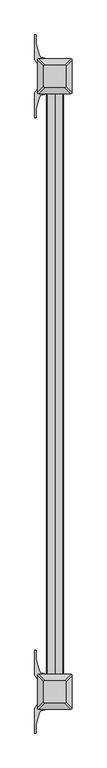
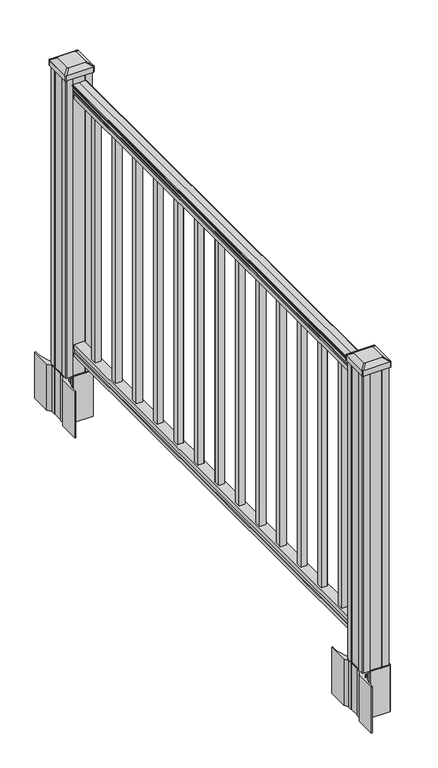
"""IFC4 building model written with IfcOpenShell, lengths in millimetres: railing geometry."""

from ifc_helpers import new_model, si_unit, point, frame, frame_2d, origin, origin_with_axes, place, context, project, spatial, polyline, circle_curve, trimmed, segment, composite_curve, outline, extrude, faceted_brep, source, transform, mapped, element, save
from ifc_brep_helpers import plane_surface, cylinder_surface, revolved_surface, extruded_surface, advanced_brep


def railing_e1333329(model_context):
    return source(origin(), model_context, "Body", "SolidModel", [
        advanced_brep(
        [(45716.7860303, -4330.7957657, 938.4043297), (45716.7860303, -4330.7957657, 940.292412), (45717.9162166, -4330.7957657, 941.8546695), (45717.9162166, -4330.7957657, 949.0726458), (45717.2669602, -4330.7957657, 951.5060812), (45719.7669602, -4330.7957657, 955.8362083), (45721.1763026, -4330.7957657, 957.5157972), (45721.5782016, -4330.7957657, 958.6205318), (45721.5782015, -4330.7957657, 959.9608158), (45720.0247543, -4330.7957657, 961.514263), (45699.3532015, -4330.7957657, 961.514263), (45678.6816488, -4330.7957657, 961.514263), (45677.1282015, -4330.7957657, 959.9608158), (45677.1282015, -4330.7957657, 958.6205318), (45677.5301005, -4330.7957657, 957.5157972), (45678.9394429, -4330.7957657, 955.8362083), (45681.4394429, -4330.7957657, 951.5060812), (45680.7901865, -4330.7957657, 949.0726458), (45680.7901865, -4330.7957657, 941.8546695), (45681.9203728, -4330.7957657, 940.292412), (45681.9203728, -4330.7957657, 938.4043297), (45684.4942015, -4330.7957657, 938.4043297), (45684.4942015, -4330.7957657, 927.9048283), (45683.4782015, -4330.7957657, 926.8888283), (45683.4782015, -4330.7957657, 914.4), (45715.2282015, -4330.7957657, 914.4), (45715.2282015, -4330.7957657, 926.731013), (45714.2122015, -4330.7957657, 927.747013), (45714.2122015, -4330.7957657, 938.4043297), (45716.7860303, -2806.7957657, 938.4043297), (45714.2122015, -2806.7957657, 938.4043297), (45714.2122015, -2806.7957657, 927.747013), (45715.2282015, -2806.7957657, 926.731013), (45715.2282015, -2806.7957657, 914.4), (45683.4782015, -2806.7957657, 914.4), (45683.4782015, -2806.7957657, 926.8888283), (45684.4942015, -2806.7957657, 927.9048283), (45684.4942015, -2806.7957657, 938.4043297), (45681.9203728, -2806.7957657, 938.4043297), (45681.9203728, -2806.7957657, 940.292412), (45680.7901865, -2806.7957657, 941.8546695), (45680.7901865, -2806.7957657, 949.0726458), (45681.4394429, -2806.7957657, 951.5060812), (45678.9394429, -2806.7957657, 955.8362083), (45677.5301005, -2806.7957657, 957.5157972), (45677.1282015, -2806.7957657, 958.6205318), (45677.1282015, -2806.7957657, 959.9608158), (45678.6816488, -2806.7957657, 961.514263), (45699.3532015, -2806.7957657, 961.514263), (45720.0247543, -2806.7957657, 961.514263), (45721.5782015, -2806.7957657, 959.9608158), (45721.5782015, -2806.7957657, 958.6205318), (45721.1763026, -2806.7957657, 957.5157972), (45719.7669602, -2806.7957657, 955.8362083), (45717.2669602, -2806.7957657, 951.5060812), (45717.9162166, -2806.7957657, 949.0726458), (45717.9162166, -2806.7957657, 941.8546695), (45716.7860303, -2806.7957657, 940.292412)],
        [
            (0, 1),
            (1, 2, circle_curve(frame((45710.471277, -4330.7957657, 946.0506383), z_axis=(0.0, -1.0, 0.0), x_axis=(-1.0, 0.0, 0.0)), 8.545951)),
            (2, 3, circle_curve(frame((45710.90834, -4330.7957657, 945.4636577), z_axis=(0.0, -1.0, 0.0), x_axis=(-1.0, 0.0, 0.0)), 7.882584)),
            (3, 4, circle_curve(frame((45721.4216641, -4330.7957657, 951.3112527), z_axis=(0.0, 1.0, 0.0), x_axis=(-1.0, 0.0, 0.0)), 4.1592695)),
            (4, 5, circle_curve(frame((45722.7089706, -4330.7957657, 951.2508864), z_axis=(0.0, 1.0, 0.0), x_axis=(-1.0, 0.0, 0.0)), 5.4479907)),
            (5, 6, circle_curve(frame((45721.4758122, -4330.7957657, 955.833395), z_axis=(0.0, 1.0, 0.0), x_axis=(-1.0, 0.0, 0.0)), 1.7088543)),
            (6, 7, circle_curve(frame((45719.8589121, -4330.7957657, 958.6205318), z_axis=(0.0, -1.0, 0.0), x_axis=(-1.0, 0.0, 0.0)), 1.7192895)),
            (7, 8),
            (8, 9, circle_curve(frame((45720.0247543, -4330.7957657, 959.9608158), z_axis=(0.0, -1.0, 0.0), x_axis=(-1.0, 0.0, 0.0)), 1.5534472)),
            (9, 10),
            (10, 11),
            (11, 12, circle_curve(frame((45678.6816488, -4330.7957657, 959.9608158), z_axis=(0.0, -1.0, 0.0), x_axis=(1.0, 0.0, 0.0)), 1.5534472)),
            (12, 13),
            (13, 14, circle_curve(frame((45678.847491, -4330.7957657, 958.6205318), z_axis=(0.0, -1.0, 0.0), x_axis=(1.0, 0.0, 0.0)), 1.7192895)),
            (14, 15, circle_curve(frame((45677.2305909, -4330.7957657, 955.833395), z_axis=(0.0, 1.0, 0.0), x_axis=(1.0, 0.0, 0.0)), 1.7088543)),
            (15, 16, circle_curve(frame((45675.9974324, -4330.7957657, 951.2508864), z_axis=(0.0, 1.0, 0.0), x_axis=(1.0, 0.0, 0.0)), 5.4479907)),
            (16, 17, circle_curve(frame((45677.284739, -4330.7957657, 951.3112527), z_axis=(0.0, 1.0, 0.0), x_axis=(1.0, 0.0, 0.0)), 4.1592695)),
            (17, 18, circle_curve(frame((45687.7980631, -4330.7957657, 945.4636577), z_axis=(0.0, -1.0, 0.0), x_axis=(1.0, 0.0, 0.0)), 7.882584)),
            (18, 19, circle_curve(frame((45688.2351261, -4330.7957657, 946.0506383), z_axis=(0.0, -1.0, 0.0), x_axis=(1.0, 0.0, 0.0)), 8.545951)),
            (19, 20),
            (20, 21, circle_curve(frame((45683.2072872, -4330.7957657, 938.4043297), z_axis=(0.0, -1.0, 0.0), x_axis=(1.0, 0.0, 0.0)), 1.2869144)),
            (21, 22),
            (22, 23),
            (23, 24),
            (24, 25),
            (25, 26),
            (26, 27),
            (27, 28),
            (28, 0, circle_curve(frame((45715.4991159, -4330.7957657, 938.4043297), z_axis=(0.0, -1.0, 0.0), x_axis=(-1.0, 0.0, 0.0)), 1.2869144)),
            (29, 30, circle_curve(frame((45715.4991159, -2806.7957657, 938.4043297), z_axis=(0.0, 1.0, 0.0), x_axis=(-1.0, 0.0, 0.0)), 1.2869144)),
            (30, 31),
            (31, 32),
            (32, 33),
            (33, 34),
            (34, 35),
            (35, 36),
            (36, 37),
            (37, 38, circle_curve(frame((45683.2072872, -2806.7957657, 938.4043297), z_axis=(0.0, 1.0, 0.0), x_axis=(1.0, 0.0, 0.0)), 1.2869144)),
            (38, 39),
            (39, 40, circle_curve(frame((45688.2351261, -2806.7957657, 946.0506383), z_axis=(0.0, 1.0, 0.0), x_axis=(1.0, 0.0, 0.0)), 8.545951)),
            (40, 41, circle_curve(frame((45687.7980631, -2806.7957657, 945.4636577), z_axis=(0.0, 1.0, 0.0), x_axis=(1.0, 0.0, 0.0)), 7.882584)),
            (41, 42, circle_curve(frame((45677.284739, -2806.7957657, 951.3112527), z_axis=(0.0, -1.0, 0.0), x_axis=(1.0, 0.0, 0.0)), 4.1592695)),
            (42, 43, circle_curve(frame((45675.9974324, -2806.7957657, 951.2508864), z_axis=(0.0, -1.0, 0.0), x_axis=(1.0, 0.0, 0.0)), 5.4479907)),
            (43, 44, circle_curve(frame((45677.2305909, -2806.7957657, 955.833395), z_axis=(0.0, -1.0, 0.0), x_axis=(1.0, 0.0, 0.0)), 1.7088543)),
            (44, 45, circle_curve(frame((45678.847491, -2806.7957657, 958.6205318), z_axis=(0.0, 1.0, 0.0), x_axis=(1.0, 0.0, 0.0)), 1.7192895)),
            (45, 46),
            (46, 47, circle_curve(frame((45678.6816488, -2806.7957657, 959.9608158), z_axis=(0.0, 1.0, 0.0), x_axis=(1.0, 0.0, 0.0)), 1.5534472)),
            (47, 48),
            (48, 49),
            (49, 50, circle_curve(frame((45720.0247543, -2806.7957657, 959.9608158), z_axis=(0.0, 1.0, 0.0), x_axis=(-1.0, 0.0, 0.0)), 1.5534472)),
            (50, 51),
            (51, 52, circle_curve(frame((45719.8589121, -2806.7957657, 958.6205318), z_axis=(0.0, 1.0, 0.0), x_axis=(-1.0, 0.0, 0.0)), 1.7192895)),
            (52, 53, circle_curve(frame((45721.4758122, -2806.7957657, 955.833395), z_axis=(0.0, -1.0, 0.0), x_axis=(-1.0, 0.0, 0.0)), 1.7088543)),
            (53, 54, circle_curve(frame((45722.7089706, -2806.7957657, 951.2508864), z_axis=(0.0, -1.0, 0.0), x_axis=(-1.0, 0.0, 0.0)), 5.4479907)),
            (54, 55, circle_curve(frame((45721.4216641, -2806.7957657, 951.3112527), z_axis=(0.0, -1.0, 0.0), x_axis=(-1.0, 0.0, 0.0)), 4.1592695)),
            (55, 56, circle_curve(frame((45710.90834, -2806.7957657, 945.4636577), z_axis=(0.0, 1.0, 0.0), x_axis=(-1.0, 0.0, 0.0)), 7.882584)),
            (56, 57, circle_curve(frame((45710.471277, -2806.7957657, 946.0506383), z_axis=(0.0, 1.0, 0.0), x_axis=(-1.0, 0.0, 0.0)), 8.545951)),
            (57, 29),
            (28, 30),
            (29, 0),
            (27, 31),
            (26, 32),
            (25, 33),
            (24, 34),
            (23, 35),
            (22, 36),
            (21, 37),
            (20, 38),
            (19, 39),
            (18, 40),
            (17, 41),
            (16, 42),
            (15, 43),
            (14, 44),
            (13, 45),
            (12, 46),
            (11, 47),
            (10, 48),
            (9, 49),
            (8, 50),
            (7, 51),
            (6, 52),
            (5, 53),
            (4, 54),
            (3, 55),
            (2, 56),
            (1, 57),
        ],
        [
            plane_surface(frame((45699.3532015, -4330.7957657, 914.4), z_axis=(0.0, -1.0, 0.0), x_axis=(0.0, 0.0, 1.0))),
            plane_surface(frame((45699.3532015, -2806.7957657, 914.4), z_axis=(0.0, 1.0, 0.0), x_axis=(0.0, 0.0, 1.0))),
            cylinder_surface(frame((45715.4991159, -4330.7957657, 938.4043297), z_axis=(0.0, -1.0, 0.0), x_axis=(-1.0, 0.0, 0.0)), 1.2869144),
            plane_surface(frame((45714.2122015, -4330.7957657, 927.747013), z_axis=(1.0, 0.0, 0.0), x_axis=(0.0, 1.0, 0.0))),
            plane_surface(frame((45715.2282015, -4330.7957657, 926.731013), z_axis=(0.7071067811865395, 0.0, 0.7071067811865556), x_axis=(0.0, 1.0, 0.0))),
            plane_surface(frame((45715.2282015, -4330.7957657, 914.4), z_axis=(1.0, 0.0, 0.0), x_axis=(0.0, 1.0, 0.0))),
            plane_surface(frame((45683.4782015, -4330.7957657, 914.4), z_axis=(0.0, 0.0, -1.0), x_axis=(0.0, 1.0, 0.0))),
            plane_surface(frame((45683.4782015, -4330.7957657, 926.8888283), z_axis=(-1.0, 0.0, 0.0), x_axis=(0.0, 1.0, 0.0))),
            plane_surface(frame((45684.4942015, -4330.7957657, 927.9048283), z_axis=(-0.7071067811865432, 0.0, 0.707106781186552), x_axis=(0.0, 1.0, 0.0))),
            plane_surface(frame((45684.4942015, -4330.7957657, 938.4043297), z_axis=(-1.0, 0.0, 0.0), x_axis=(0.0, 1.0, 0.0))),
            cylinder_surface(frame((45683.2072872, -4330.7957657, 938.4043297), z_axis=(0.0, -1.0, 0.0), x_axis=(1.0, 0.0, 0.0)), 1.2869144),
            plane_surface(frame((45681.9203728, -4330.7957657, 940.292412), z_axis=(-1.0, 0.0, 0.0), x_axis=(0.0, 1.0, 0.0))),
            cylinder_surface(frame((45688.2351261, -4330.7957657, 946.0506383), z_axis=(0.0, -1.0, 0.0), x_axis=(1.0, 0.0, 0.0)), 8.545951),
            cylinder_surface(frame((45687.7980631, -4330.7957657, 945.4636577), z_axis=(0.0, -1.0, 0.0), x_axis=(1.0, 0.0, 0.0)), 7.882584),
            revolved_surface(polyline([(45681.4440085, -2806.7957657, 951.3112527), (45681.4440085, -4330.7957657, 951.3112527)]), (45677.284739, -4330.7957657, 951.3112527), (0.0, 1.0, 0.0)),
            revolved_surface(polyline([(45681.4454231, -2806.7957657, 951.2508864), (45681.4454231, -4330.7957657, 951.2508864)]), (45675.9974324, -4330.7957657, 951.2508864), (0.0, 1.0, 0.0)),
            revolved_surface(polyline([(45678.9394452, -2806.7957657, 955.833395), (45678.9394452, -4330.7957657, 955.833395)]), (45677.2305909, -4330.7957657, 955.833395), (0.0, 1.0, 0.0)),
            cylinder_surface(frame((45678.847491, -4330.7957657, 958.6205318), z_axis=(0.0, -1.0, 0.0), x_axis=(1.0, 0.0, 0.0)), 1.7192895),
            plane_surface(frame((45677.1282015, -4330.7957657, 959.9608158), z_axis=(-1.0, 0.0, 0.0), x_axis=(0.0, 1.0, 0.0))),
            cylinder_surface(frame((45678.6816488, -4330.7957657, 959.9608158), z_axis=(0.0, -1.0, 0.0), x_axis=(1.0, 0.0, 0.0)), 1.5534472),
            plane_surface(frame((45699.3532015, -4330.7957657, 961.514263), z_axis=(0.0, 0.0, 1.0), x_axis=(0.0, 1.0, 0.0))),
            plane_surface(frame((45720.0247543, -4330.7957657, 961.514263), z_axis=(0.0, 0.0, 1.0), x_axis=(0.0, 1.0, 0.0))),
            cylinder_surface(frame((45720.0247543, -4330.7957657, 959.9608158), z_axis=(0.0, -1.0, 0.0), x_axis=(-1.0, 0.0, 0.0)), 1.5534472),
            plane_surface(frame((45721.5782015, -4330.7957657, 958.6205318), z_axis=(1.0, 0.0, 0.0), x_axis=(0.0, 1.0, 0.0))),
            cylinder_surface(frame((45719.8589121, -4330.7957657, 958.6205318), z_axis=(0.0, -1.0, 0.0), x_axis=(-1.0, 0.0, 0.0)), 1.7192895),
            revolved_surface(polyline([(45719.7669579, -2806.7957657, 955.833395), (45719.7669579, -4330.7957657, 955.833395)]), (45721.4758122, -4330.7957657, 955.833395), (0.0, 1.0, 0.0)),
            revolved_surface(polyline([(45717.2609799, -2806.7957657, 951.2508864), (45717.2609799, -4330.7957657, 951.2508864)]), (45722.7089706, -4330.7957657, 951.2508864), (0.0, 1.0, 0.0)),
            revolved_surface(polyline([(45717.2623946, -2806.7957657, 951.3112527), (45717.2623946, -4330.7957657, 951.3112527)]), (45721.4216641, -4330.7957657, 951.3112527), (0.0, 1.0, 0.0)),
            cylinder_surface(frame((45710.90834, -4330.7957657, 945.4636577), z_axis=(0.0, -1.0, 0.0), x_axis=(-1.0, 0.0, 0.0)), 7.882584),
            cylinder_surface(frame((45710.471277, -4330.7957657, 946.0506383), z_axis=(0.0, -1.0, 0.0), x_axis=(-1.0, 0.0, 0.0)), 8.545951),
            plane_surface(frame((45716.7860303, -4330.7957657, 938.4043297), z_axis=(1.0, 0.0, 0.0), x_axis=(0.0, 1.0, 0.0))),
        ],
        [
            (0, [[1, 2, 3, 4, 5, 6, 7, 8, 9, 10, 11, 12, 13, 14, 15, 16, 17, 18, 19, 20, 21, 22, 23, 24, 25, 26, 27, 28, 29]]),
            (1, [[30, 31, 32, 33, 34, 35, 36, 37, 38, 39, 40, 41, 42, 43, 44, 45, 46, 47, 48, 49, 50, 51, 52, 53, 54, 55, 56, 57, 58]]),
            (2, [[-29, 59, -30, 60]]),
            (3, [[-28, 61, -31, -59]]),
            (4, [[-27, 62, -32, -61]]),
            (5, [[-26, 63, -33, -62]]),
            (6, [[-25, 64, -34, -63]]),
            (7, [[-24, 65, -35, -64]]),
            (8, [[-23, 66, -36, -65]]),
            (9, [[-22, 67, -37, -66]]),
            (10, [[-21, 68, -38, -67]]),
            (11, [[-20, 69, -39, -68]]),
            (12, [[-19, 70, -40, -69]]),
            (13, [[-18, 71, -41, -70]]),
            (14, [[-17, 72, -42, -71]]),
            (15, [[-16, 73, -43, -72]]),
            (16, [[-15, 74, -44, -73]]),
            (17, [[-14, 75, -45, -74]]),
            (18, [[-13, 76, -46, -75]]),
            (19, [[-12, 77, -47, -76]]),
            (20, [[-11, 78, -48, -77]]),
            (21, [[-10, 79, -49, -78]]),
            (22, [[-9, 80, -50, -79]]),
            (23, [[-8, 81, -51, -80]]),
            (24, [[-7, 82, -52, -81]]),
            (25, [[-6, 83, -53, -82]]),
            (26, [[-5, 84, -54, -83]]),
            (27, [[-4, 85, -55, -84]]),
            (28, [[-3, 86, -56, -85]]),
            (29, [[-2, 87, -57, -86]]),
            (30, [[-1, -60, -58, -87]]),
        ],
    ),
        faceted_brep([(45715.2656884, -4330.7957657, 76.0541976), (45714.2496884, -4330.7957657, 77.3546183), (45714.2496884, -4330.7957657, 87.7141717), (45715.2656884, -4330.7957657, 89.0624492), (45715.2656884, -4330.7957657, 101.5958781), (45683.5156884, -4330.7957657, 101.5958781), (45683.5156884, -4330.7957657, 89.0458024), (45684.5316884, -4330.7957657, 87.6975248), (45684.5316884, -4330.7957657, 77.3858283), (45683.5156884, -4330.7957657, 76.0375508), (45683.5156884, -4330.7957657, 63.5), (45715.2656884, -4330.7957657, 63.5), (45715.2656884, -2806.7957657, 76.0541976), (45715.2656884, -2806.7957657, 63.5), (45683.5156884, -2806.7957657, 63.5), (45683.5156884, -2806.7957657, 76.0375508), (45684.5316884, -2806.7957657, 77.3858283), (45684.5316884, -2806.7957657, 87.6975248), (45683.5156884, -2806.7957657, 89.0458024), (45683.5156884, -2806.7957657, 101.5958781), (45715.2656884, -2806.7957657, 101.5958781), (45715.2656884, -2806.7957657, 89.0624492), (45714.2496884, -2806.7957657, 87.7141717), (45714.2496884, -2806.7957657, 77.3546183)], [[[0, 1, 2, 3, 4, 5, 6, 7, 8, 9, 10, 11]], [[12, 13, 14, 15, 16, 17, 18, 19, 20, 21, 22, 23]], [[0, 11, 13, 12]], [[11, 10, 14, 13]], [[10, 9, 15, 14]], [[9, 8, 16, 15]], [[8, 7, 17, 16]], [[7, 6, 18, 17]], [[6, 5, 19, 18]], [[5, 4, 20, 19]], [[4, 3, 21, 20]], [[3, 2, 22, 21]], [[2, 1, 23, 22]], [[1, 0, 12, 23]]]),
        extrude(outline(polyline([(45708.8782015, -2909.7927657), (45689.8282015, -2909.7927657), (45689.8282015, -2890.7427657), (45708.8782015, -2890.7427657), (45708.8782015, -2909.7927657)]), holes=[polyline([(45708.4813265, -2909.3958907), (45708.4813265, -2891.1396407), (45690.2250765, -2891.1396407), (45690.2250765, -2909.3958907), (45708.4813265, -2909.3958907)])]), frame((0.0, 0.0, 101.5958781), z_axis=(0.0, 0.0, 1.0), x_axis=(1.0, 0.0, 0.0)), (0.0, 0.0, 1.0), 812.8041219),
        extrude(outline(polyline([(45708.8782015, -3021.0447657), (45689.8282015, -3021.0447657), (45689.8282015, -3001.9947657), (45708.8782015, -3001.9947657), (45708.8782015, -3021.0447657)]), holes=[polyline([(45708.4813265, -3020.6478907), (45708.4813265, -3002.3916407), (45690.2250765, -3002.3916407), (45690.2250765, -3020.6478907), (45708.4813265, -3020.6478907)])]), frame((0.0, 0.0, 101.5958781), z_axis=(0.0, 0.0, 1.0), x_axis=(1.0, 0.0, 0.0)), (0.0, 0.0, 1.0), 812.8041219),
        extrude(outline(polyline([(45708.8782015, -3132.2967657), (45689.8282015, -3132.2967657), (45689.8282015, -3113.2467657), (45708.8782015, -3113.2467657), (45708.8782015, -3132.2967657)]), holes=[polyline([(45708.4813265, -3131.8998907), (45708.4813265, -3113.6436407), (45690.2250765, -3113.6436407), (45690.2250765, -3131.8998907), (45708.4813265, -3131.8998907)])]), frame((0.0, 0.0, 101.5958781), z_axis=(0.0, 0.0, 1.0), x_axis=(1.0, 0.0, 0.0)), (0.0, 0.0, 1.0), 812.8041219),
        extrude(outline(polyline([(45708.8782015, -3243.5487657), (45689.8282015, -3243.5487657), (45689.8282015, -3224.4987657), (45708.8782015, -3224.4987657), (45708.8782015, -3243.5487657)]), holes=[polyline([(45708.4813265, -3243.1518907), (45708.4813265, -3224.8956407), (45690.2250765, -3224.8956407), (45690.2250765, -3243.1518907), (45708.4813265, -3243.1518907)])]), frame((0.0, 0.0, 101.5958781), z_axis=(0.0, 0.0, 1.0), x_axis=(1.0, 0.0, 0.0)), (0.0, 0.0, 1.0), 812.8041219),
        extrude(outline(polyline([(45708.8782015, -3354.8007657), (45689.8282015, -3354.8007657), (45689.8282015, -3335.7507657), (45708.8782015, -3335.7507657), (45708.8782015, -3354.8007657)]), holes=[polyline([(45708.4813265, -3354.4038907), (45708.4813265, -3336.1476407), (45690.2250765, -3336.1476407), (45690.2250765, -3354.4038907), (45708.4813265, -3354.4038907)])]), frame((0.0, 0.0, 101.5958781), z_axis=(0.0, 0.0, 1.0), x_axis=(1.0, 0.0, 0.0)), (0.0, 0.0, 1.0), 812.8041219),
        extrude(outline(polyline([(45708.8782015, -3466.0527657), (45689.8282015, -3466.0527657), (45689.8282015, -3447.0027657), (45708.8782015, -3447.0027657), (45708.8782015, -3466.0527657)]), holes=[polyline([(45708.4813265, -3465.6558907), (45708.4813265, -3447.3996407), (45690.2250765, -3447.3996407), (45690.2250765, -3465.6558907), (45708.4813265, -3465.6558907)])]), frame((0.0, 0.0, 101.5958781), z_axis=(0.0, 0.0, 1.0), x_axis=(1.0, 0.0, 0.0)), (0.0, 0.0, 1.0), 812.8041219),
        extrude(outline(polyline([(45708.8782015, -3577.3047657), (45689.8282015, -3577.3047657), (45689.8282015, -3558.2547657), (45708.8782015, -3558.2547657), (45708.8782015, -3577.3047657)]), holes=[polyline([(45708.4813265, -3576.9078907), (45708.4813265, -3558.6516407), (45690.2250765, -3558.6516407), (45690.2250765, -3576.9078907), (45708.4813265, -3576.9078907)])]), frame((0.0, 0.0, 101.5958781), z_axis=(0.0, 0.0, 1.0), x_axis=(1.0, 0.0, 0.0)), (0.0, 0.0, 1.0), 812.8041219),
        extrude(outline(polyline([(45708.8782015, -3688.5567657), (45689.8282015, -3688.5567657), (45689.8282015, -3669.5067657), (45708.8782015, -3669.5067657), (45708.8782015, -3688.5567657)]), holes=[polyline([(45708.4813265, -3688.1598907), (45708.4813265, -3669.9036407), (45690.2250765, -3669.9036407), (45690.2250765, -3688.1598907), (45708.4813265, -3688.1598907)])]), frame((0.0, 0.0, 101.5958781), z_axis=(0.0, 0.0, 1.0), x_axis=(1.0, 0.0, 0.0)), (0.0, 0.0, 1.0), 812.8041219),
        extrude(outline(polyline([(45708.8782015, -3799.8087657), (45689.8282015, -3799.8087657), (45689.8282015, -3780.7587657), (45708.8782015, -3780.7587657), (45708.8782015, -3799.8087657)]), holes=[polyline([(45708.4813265, -3799.4118907), (45708.4813265, -3781.1556407), (45690.2250765, -3781.1556407), (45690.2250765, -3799.4118907), (45708.4813265, -3799.4118907)])]), frame((0.0, 0.0, 101.5958781), z_axis=(0.0, 0.0, 1.0), x_axis=(1.0, 0.0, 0.0)), (0.0, 0.0, 1.0), 812.8041219),
        extrude(outline(polyline([(45708.8782015, -3911.0607657), (45689.8282015, -3911.0607657), (45689.8282015, -3892.0107657), (45708.8782015, -3892.0107657), (45708.8782015, -3911.0607657)]), holes=[polyline([(45708.4813265, -3910.6638907), (45708.4813265, -3892.4076407), (45690.2250765, -3892.4076407), (45690.2250765, -3910.6638907), (45708.4813265, -3910.6638907)])]), frame((0.0, 0.0, 101.5958781), z_axis=(0.0, 0.0, 1.0), x_axis=(1.0, 0.0, 0.0)), (0.0, 0.0, 1.0), 812.8041219),
        extrude(outline(polyline([(45708.8782015, -4022.3127657), (45689.8282015, -4022.3127657), (45689.8282015, -4003.2627657), (45708.8782015, -4003.2627657), (45708.8782015, -4022.3127657)]), holes=[polyline([(45708.4813265, -4021.9158907), (45708.4813265, -4003.6596407), (45690.2250765, -4003.6596407), (45690.2250765, -4021.9158907), (45708.4813265, -4021.9158907)])]), frame((0.0, 0.0, 101.5958781), z_axis=(0.0, 0.0, 1.0), x_axis=(1.0, 0.0, 0.0)), (0.0, 0.0, 1.0), 812.8041219),
        extrude(outline(polyline([(45708.8782015, -4133.5647657), (45689.8282015, -4133.5647657), (45689.8282015, -4114.5147657), (45708.8782015, -4114.5147657), (45708.8782015, -4133.5647657)]), holes=[polyline([(45708.4813265, -4133.1678907), (45708.4813265, -4114.9116407), (45690.2250765, -4114.9116407), (45690.2250765, -4133.1678907), (45708.4813265, -4133.1678907)])]), frame((0.0, 0.0, 101.5958781), z_axis=(0.0, 0.0, 1.0), x_axis=(1.0, 0.0, 0.0)), (0.0, 0.0, 1.0), 812.8041219),
        extrude(outline(polyline([(45708.8782015, -4244.8167657), (45689.8282015, -4244.8167657), (45689.8282015, -4225.7667657), (45708.8782015, -4225.7667657), (45708.8782015, -4244.8167657)]), holes=[polyline([(45708.4813265, -4244.4198907), (45708.4813265, -4226.1636407), (45690.2250765, -4226.1636407), (45690.2250765, -4244.4198907), (45708.4813265, -4244.4198907)])]), frame((0.0, 0.0, 101.5958781), z_axis=(0.0, 0.0, 1.0), x_axis=(1.0, 0.0, 0.0)), (0.0, 0.0, 1.0), 812.8041219),
        extrude(outline(composite_curve([segment(polyline([(45742.0887015, -2782.7798606), (45743.6762015, -2783.5418606), (45743.6762015, -2806.3437886), (45740.3032245, -2809.7167657), (45678.8435537, -2809.7167657), (45678.8435537, -2810.6375157), (45673.5260098, -2810.6375157), (45673.5260098, -2812.0917704), (45668.4414801, -2812.0917704), (45668.4414801, -2813.3757942), (45666.7742078, -2813.3757942)]), True, "CONTINUOUS"), segment(trimmed(circle_curve(frame_2d((45666.7742078, -2820.4352541)), 7.0594599), [point((45666.7742078, -2813.3757942))], [point((45660.006945, -2818.4252474))], True, "CARTESIAN"), True, "CONTINUOUS"), segment(polyline([(45660.006945, -2818.4252474), (45652.1327507, -2844.9359765)]), True, "CONTINUOUS"), segment(trimmed(circle_curve(frame_2d((45706.917264, -2861.2080261)), 57.15), [point((45652.1327507, -2844.9359765))], [point((45649.767264, -2861.2080261))], True, "CARTESIAN"), True, "CONTINUOUS"), segment(polyline([(45649.767264, -2861.2080261), (45649.767264, -2873.2167657), (45646.767264, -2873.2167657), (45646.767264, -2808.1292657), (45655.0302015, -2796.7909744), (45655.0302015, -2783.5418606), (45656.6177015, -2782.7798606), (45656.6177015, -2748.0076708), (45655.0302015, -2747.2456708), (45655.0302015, -2733.996557), (45646.767264, -2722.6582657), (45646.767264, -2657.5707657), (45649.767264, -2657.5707657), (45649.767264, -2669.5795053)]), True, "CONTINUOUS"), segment(trimmed(circle_curve(frame_2d((45706.917264, -2669.5795053)), 57.15), [point((45649.767264, -2669.5795053))], [point((45652.1327507, -2685.8515549))], True, "CARTESIAN"), True, "CONTINUOUS"), segment(polyline([(45652.1327507, -2685.8515549), (45660.006945, -2712.362284)]), True, "CONTINUOUS"), segment(trimmed(circle_curve(frame_2d((45666.7742078, -2710.3522773)), 7.0594599), [point((45660.006945, -2712.362284))], [point((45666.7742078, -2717.4117372))], True, "CARTESIAN"), True, "CONTINUOUS"), segment(polyline([(45666.7742078, -2717.4117372), (45668.4414801, -2717.4117372), (45668.4414801, -2718.695761), (45673.5260098, -2718.695761), (45673.5260098, -2720.1500157), (45678.8435537, -2720.1500157), (45678.8435537, -2721.0707657), (45740.3032245, -2721.0707657), (45743.6762015, -2724.4437428), (45743.6762015, -2747.2456708), (45742.0887015, -2748.0076708), (45742.0887015, -2782.7798606)]), True, "CONTINUOUS")], self_intersect=False), holes=[polyline([(45658.0782015, -2725.7062657), (45658.0782015, -2805.0812657), (45659.6657015, -2806.6687657), (45696.5899842, -2806.6687657), (45739.0407015, -2806.6687657), (45740.6282015, -2805.0812657), (45740.6282015, -2725.7062657), (45739.0407015, -2724.1187657), (45696.5899842, -2724.1187657), (45659.6657015, -2724.1187657), (45658.0782015, -2725.7062657)])]), frame((0.0, 0.0, -152.4), z_axis=(0.0, 0.0, 1.0), x_axis=(1.0, 0.0, 0.0)), (0.0, 0.0, 1.0), 152.4),
        advanced_brep(
        [(45673.5563265, -2794.3656407, 1012.825), (45725.1500765, -2794.3656407, 1012.825), (45728.3250765, -2791.1906407, 1012.825), (45728.3250765, -2739.5968907, 1012.825), (45725.1500765, -2736.4218907, 1012.825), (45673.5563265, -2736.4218907, 1012.825), (45670.3813265, -2739.5968907, 1012.825), (45670.3813265, -2791.1906407, 1012.825), (45657.2844515, -2810.6375157, 1001.522), (45654.1094515, -2807.4625157, 1001.522), (45654.1094515, -2723.3250157, 1001.522), (45657.2844515, -2720.1500157, 1001.522), (45741.4219515, -2720.1500157, 1001.522), (45744.5969515, -2723.3250157, 1001.522), (45744.5969515, -2807.4625157, 1001.522), (45741.4219515, -2810.6375157, 1001.522)],
        [
            (0, 1),
            (1, 2, circle_curve(frame((45725.1500765, -2791.1906407, 1012.825), z_axis=(0.0, 0.0, 1.0), x_axis=(0.0, 1.0, 0.0)), 3.175)),
            (2, 3),
            (3, 4, circle_curve(frame((45725.1500765, -2739.5968907, 1012.825), z_axis=(0.0, 0.0, 1.0), x_axis=(0.0, 1.0, 0.0)), 3.175)),
            (4, 5),
            (5, 6, circle_curve(frame((45673.5563265, -2739.5968907, 1012.825), z_axis=(0.0, 0.0, 1.0), x_axis=(0.0, 1.0, 0.0)), 3.175)),
            (6, 7),
            (7, 0, circle_curve(frame((45673.5563265, -2791.1906407, 1012.825), z_axis=(0.0, 0.0, 1.0), x_axis=(0.0, 1.0, 0.0)), 3.175)),
            (8, 9, circle_curve(frame((45657.2844515, -2807.4625157, 1001.522), z_axis=(0.0, 0.0, -1.0), x_axis=(0.0, 1.0, 0.0)), 3.175)),
            (9, 10),
            (10, 11, circle_curve(frame((45657.2844515, -2723.3250157, 1001.522), z_axis=(0.0, 0.0, -1.0), x_axis=(0.0, 1.0, 0.0)), 3.175)),
            (11, 12),
            (12, 13, circle_curve(frame((45741.4219515, -2723.3250157, 1001.522), z_axis=(0.0, 0.0, -1.0), x_axis=(0.0, 1.0, 0.0)), 3.175)),
            (13, 14),
            (14, 15, circle_curve(frame((45741.4219515, -2807.4625157, 1001.522), z_axis=(0.0, 0.0, -1.0), x_axis=(0.0, 1.0, 0.0)), 3.175)),
            (15, 8),
            (8, 0),
            (7, 9),
            (6, 10),
            (5, 11),
            (4, 12),
            (3, 13),
            (2, 14),
            (1, 15),
        ],
        [
            plane_surface(frame((45699.3532015, -2765.3937657, 1012.825), z_axis=(0.0, 0.0, 1.0), x_axis=(-1.0, 0.0, 0.0))),
            plane_surface(frame((45699.3532015, -2765.3937657, 1001.522), z_axis=(0.0, 0.0, -1.0), x_axis=(-1.0, 0.0, 0.0))),
            extruded_surface(trimmed(circle_curve(frame((45673.5563265, -2791.1906407, 1012.825), z_axis=(0.0, 0.0, -1.0), x_axis=(0.0, 1.0, 0.0)), 3.175), [point((45673.5563265, -2794.3656407, 1012.825))], [point((45670.3813265, -2791.1906407, 1012.825))], True, "CARTESIAN"), (-16.271874999998545, -16.27187499999991, -11.302999999999997), 25.63797263886518),
            plane_surface(frame((45654.1094515, -2765.3937657, 1001.522), z_axis=(-0.5705009161540779, 0.0, 0.8212969649690408), x_axis=(0.0, 1.0, 0.0))),
            extruded_surface(trimmed(circle_curve(frame((45673.5563265, -2739.5968907, 1012.825), z_axis=(0.0, 0.0, -1.0), x_axis=(0.0, 1.0, 0.0)), 3.175), [point((45670.3813265, -2739.5968907, 1012.825))], [point((45673.5563265, -2736.4218907, 1012.825))], True, "CARTESIAN"), (-16.271874999998545, 16.27187499999991, -11.302999999999997), 25.63797263886518),
            plane_surface(frame((45699.3532015, -2720.1500157, 1001.522), z_axis=(0.0, 0.5705009161540291, 0.8212969649690747), x_axis=(1.0, 0.0, 0.0))),
            extruded_surface(trimmed(circle_curve(frame((45725.1500765, -2739.5968907, 1012.825), z_axis=(0.0, 0.0, -1.0), x_axis=(0.0, 1.0, 0.0)), 3.175), [point((45725.1500765, -2736.4218907, 1012.825))], [point((45728.3250765, -2739.5968907, 1012.825))], True, "CARTESIAN"), (16.271874999998545, 16.27187499999991, -11.302999999999997), 25.63797263886518),
            plane_surface(frame((45744.5969515, -2765.3937657, 1001.522), z_axis=(0.5705009161540141, 0.0, 0.8212969649690851), x_axis=(0.0, -1.0, 0.0))),
            extruded_surface(trimmed(circle_curve(frame((45725.1500765, -2791.1906407, 1012.825), z_axis=(0.0, 0.0, -1.0), x_axis=(0.0, 1.0, 0.0)), 3.175), [point((45728.3250765, -2791.1906407, 1012.825))], [point((45725.1500765, -2794.3656407, 1012.825))], True, "CARTESIAN"), (16.271874999998545, -16.27187499999991, -11.302999999999997), 25.63797263886518),
            plane_surface(frame((45699.3532015, -2810.6375157, 1001.522), z_axis=(0.0, -0.570500916154034, 0.8212969649690713), x_axis=(-1.0, 0.0, 0.0))),
        ],
        [
            (0, [[1, 2, 3, 4, 5, 6, 7, 8]]),
            (1, [[9, 10, 11, 12, 13, 14, 15, 16]]),
            (2, [[17, -8, 18, -9]]),
            (3, [[-18, -7, 19, -10]]),
            (4, [[-19, -6, 20, -11]]),
            (5, [[-20, -5, 21, -12]]),
            (6, [[-21, -4, 22, -13]]),
            (7, [[-22, -3, 23, -14]]),
            (8, [[-23, -2, 24, -15]]),
            (9, [[-24, -1, -17, -16]]),
        ],
    ),
        extrude(outline(composite_curve([segment(trimmed(circle_curve(frame_2d((45657.2844515, -2807.4625157)), 3.175), [point((45657.2844515, -2810.6375157))], [point((45654.1094515, -2807.4625157))], False, "CARTESIAN"), True, "CONTINUOUS"), segment(polyline([(45654.1094515, -2807.4625157), (45654.1094515, -2723.3250157)]), True, "CONTINUOUS"), segment(trimmed(circle_curve(frame_2d((45657.2844515, -2723.3250157)), 3.175), [point((45654.1094515, -2723.3250157))], [point((45657.2844515, -2720.1500157))], False, "CARTESIAN"), True, "CONTINUOUS"), segment(polyline([(45657.2844515, -2720.1500157), (45741.4219515, -2720.1500157)]), True, "CONTINUOUS"), segment(trimmed(circle_curve(frame_2d((45741.4219515, -2723.3250157)), 3.175), [point((45741.4219515, -2720.1500157))], [point((45744.5969515, -2723.3250157))], False, "CARTESIAN"), True, "CONTINUOUS"), segment(polyline([(45744.5969515, -2723.3250157), (45744.5969515, -2807.4625157)]), True, "CONTINUOUS"), segment(trimmed(circle_curve(frame_2d((45741.4219515, -2807.4625157)), 3.175), [point((45744.5969515, -2807.4625157))], [point((45741.4219515, -2810.6375157))], False, "CARTESIAN"), True, "CONTINUOUS"), segment(polyline([(45741.4219515, -2810.6375157), (45657.2844515, -2810.6375157)]), True, "CONTINUOUS")], self_intersect=False)), frame((0.0, 0.0, 984.25), z_axis=(0.0, 0.0, 1.0), x_axis=(1.0, 0.0, 0.0)), (0.0, 0.0, 1.0), 17.272),
        extrude(outline(polyline([(45659.6657015, -2806.6687657), (45658.0782015, -2805.0812657), (45658.0782015, -2785.4597657), (45659.6657015, -2784.6977657), (45659.6657015, -2746.0897657), (45658.0782015, -2745.3277657), (45658.0782015, -2725.7062657), (45659.6657015, -2724.1187657), (45679.2872015, -2724.1187657), (45680.0492015, -2725.7062657), (45718.6572015, -2725.7062657), (45719.4192015, -2724.1187657), (45739.0407015, -2724.1187657), (45740.6282015, -2725.7062657), (45740.6282015, -2745.3277657), (45739.0407015, -2746.0897657), (45739.0407015, -2784.6977657), (45740.6282015, -2785.4597657), (45740.6282015, -2805.0812657), (45739.0407015, -2806.6687657), (45719.4192015, -2806.6687657), (45718.6572015, -2805.0812657), (45680.0492015, -2805.0812657), (45679.2872015, -2806.6687657), (45659.6657015, -2806.6687657)])), origin_with_axes(), (0.0, 0.0, 1.0), 984.25),
        extrude(outline(composite_curve([segment(polyline([(45742.0887015, -4389.5838606), (45743.6762015, -4390.3458606), (45743.6762015, -4413.1477886), (45740.3032245, -4416.5207657), (45678.8435537, -4416.5207657), (45678.8435537, -4417.4415157), (45673.5260098, -4417.4415157), (45673.5260098, -4418.8957704), (45668.4414801, -4418.8957704), (45668.4414801, -4420.1797942), (45666.7742078, -4420.1797942)]), True, "CONTINUOUS"), segment(trimmed(circle_curve(frame_2d((45666.7742078, -4427.2392541)), 7.0594599), [point((45666.7742078, -4420.1797942))], [point((45660.006945, -4425.2292474))], True, "CARTESIAN"), True, "CONTINUOUS"), segment(polyline([(45660.006945, -4425.2292474), (45652.1327507, -4451.7399765)]), True, "CONTINUOUS"), segment(trimmed(circle_curve(frame_2d((45706.917264, -4468.0120261)), 57.15), [point((45652.1327507, -4451.7399765))], [point((45649.767264, -4468.0120261))], True, "CARTESIAN"), True, "CONTINUOUS"), segment(polyline([(45649.767264, -4468.0120261), (45649.767264, -4480.0207657), (45646.767264, -4480.0207657), (45646.767264, -4414.9332657), (45655.0302015, -4403.5949744), (45655.0302015, -4390.3458606), (45656.6177015, -4389.5838606), (45656.6177015, -4354.8116708), (45655.0302015, -4354.0496708), (45655.0302015, -4340.800557), (45646.767264, -4329.4622657), (45646.767264, -4264.3747657), (45649.767264, -4264.3747657), (45649.767264, -4276.3835053)]), True, "CONTINUOUS"), segment(trimmed(circle_curve(frame_2d((45706.917264, -4276.3835053)), 57.15), [point((45649.767264, -4276.3835053))], [point((45652.1327507, -4292.6555549))], True, "CARTESIAN"), True, "CONTINUOUS"), segment(polyline([(45652.1327507, -4292.6555549), (45660.006945, -4319.166284)]), True, "CONTINUOUS"), segment(trimmed(circle_curve(frame_2d((45666.7742078, -4317.1562773)), 7.0594599), [point((45660.006945, -4319.166284))], [point((45666.7742078, -4324.2157372))], True, "CARTESIAN"), True, "CONTINUOUS"), segment(polyline([(45666.7742078, -4324.2157372), (45668.4414801, -4324.2157372), (45668.4414801, -4325.499761), (45673.5260098, -4325.499761), (45673.5260098, -4326.9540157), (45678.8435537, -4326.9540157), (45678.8435537, -4327.8747657), (45740.3032245, -4327.8747657), (45743.6762015, -4331.2477428), (45743.6762015, -4354.0496708), (45742.0887015, -4354.8116708), (45742.0887015, -4389.5838606)]), True, "CONTINUOUS")], self_intersect=False), holes=[polyline([(45658.0782015, -4332.5102657), (45658.0782015, -4411.8852657), (45659.6657015, -4413.4727657), (45696.5899842, -4413.4727657), (45739.0407015, -4413.4727657), (45740.6282015, -4411.8852657), (45740.6282015, -4332.5102657), (45739.0407015, -4330.9227657), (45696.5899842, -4330.9227657), (45659.6657015, -4330.9227657), (45658.0782015, -4332.5102657)])]), frame((0.0, 0.0, -152.4), z_axis=(0.0, 0.0, 1.0), x_axis=(1.0, 0.0, 0.0)), (0.0, 0.0, 1.0), 152.4),
        advanced_brep(
        [(45673.5563265, -4401.1696407, 1012.825), (45725.1500765, -4401.1696407, 1012.825), (45728.3250765, -4397.9946407, 1012.825), (45728.3250765, -4346.4008907, 1012.825), (45725.1500765, -4343.2258907, 1012.825), (45673.5563265, -4343.2258907, 1012.825), (45670.3813265, -4346.4008907, 1012.825), (45670.3813265, -4397.9946407, 1012.825), (45657.2844515, -4417.4415157, 1001.522), (45654.1094515, -4414.2665157, 1001.522), (45654.1094515, -4330.1290157, 1001.522), (45657.2844515, -4326.9540157, 1001.522), (45741.4219515, -4326.9540157, 1001.522), (45744.5969515, -4330.1290157, 1001.522), (45744.5969515, -4414.2665157, 1001.522), (45741.4219515, -4417.4415157, 1001.522)],
        [
            (0, 1),
            (1, 2, circle_curve(frame((45725.1500765, -4397.9946407, 1012.825), z_axis=(0.0, 0.0, 1.0), x_axis=(0.0, 1.0, 0.0)), 3.175)),
            (2, 3),
            (3, 4, circle_curve(frame((45725.1500765, -4346.4008907, 1012.825), z_axis=(0.0, 0.0, 1.0), x_axis=(0.0, 1.0, 0.0)), 3.175)),
            (4, 5),
            (5, 6, circle_curve(frame((45673.5563265, -4346.4008907, 1012.825), z_axis=(0.0, 0.0, 1.0), x_axis=(0.0, 1.0, 0.0)), 3.175)),
            (6, 7),
            (7, 0, circle_curve(frame((45673.5563265, -4397.9946407, 1012.825), z_axis=(0.0, 0.0, 1.0), x_axis=(0.0, 1.0, 0.0)), 3.175)),
            (8, 9, circle_curve(frame((45657.2844515, -4414.2665157, 1001.522), z_axis=(0.0, 0.0, -1.0), x_axis=(0.0, 1.0, 0.0)), 3.175)),
            (9, 10),
            (10, 11, circle_curve(frame((45657.2844515, -4330.1290157, 1001.522), z_axis=(0.0, 0.0, -1.0), x_axis=(0.0, 1.0, 0.0)), 3.175)),
            (11, 12),
            (12, 13, circle_curve(frame((45741.4219515, -4330.1290157, 1001.522), z_axis=(0.0, 0.0, -1.0), x_axis=(0.0, 1.0, 0.0)), 3.175)),
            (13, 14),
            (14, 15, circle_curve(frame((45741.4219515, -4414.2665157, 1001.522), z_axis=(0.0, 0.0, -1.0), x_axis=(0.0, 1.0, 0.0)), 3.175)),
            (15, 8),
            (8, 0),
            (7, 9),
            (6, 10),
            (5, 11),
            (4, 12),
            (3, 13),
            (2, 14),
            (1, 15),
        ],
        [
            plane_surface(frame((45699.3532015, -4372.1977657, 1012.825), z_axis=(0.0, 0.0, 1.0), x_axis=(-1.0, 0.0, 0.0))),
            plane_surface(frame((45699.3532015, -4372.1977657, 1001.522), z_axis=(0.0, 0.0, -1.0), x_axis=(-1.0, 0.0, 0.0))),
            extruded_surface(trimmed(circle_curve(frame((45673.5563265, -4397.9946407, 1012.825), z_axis=(0.0, 0.0, -1.0), x_axis=(0.0, 1.0, 0.0)), 3.175), [point((45673.5563265, -4401.1696407, 1012.825))], [point((45670.3813265, -4397.9946407, 1012.825))], True, "CARTESIAN"), (-16.271874999998545, -16.271875000000364, -11.302999999999997), 25.637972638865467),
            plane_surface(frame((45654.1094515, -4372.1977657, 1001.522), z_axis=(-0.5705009161540779, 0.0, 0.8212969649690408), x_axis=(0.0, 1.0, 0.0))),
            extruded_surface(trimmed(circle_curve(frame((45673.5563265, -4346.4008907, 1012.825), z_axis=(0.0, 0.0, -1.0), x_axis=(0.0, 1.0, 0.0)), 3.175), [point((45670.3813265, -4346.4008907, 1012.825))], [point((45673.5563265, -4343.2258907, 1012.825))], True, "CARTESIAN"), (-16.271874999998545, 16.271874999999454, -11.302999999999997), 25.63797263886489),
            plane_surface(frame((45699.3532015, -4326.9540157, 1001.522), z_axis=(0.0, 0.5705009161540291, 0.8212969649690747), x_axis=(1.0, 0.0, 0.0))),
            extruded_surface(trimmed(circle_curve(frame((45725.1500765, -4346.4008907, 1012.825), z_axis=(0.0, 0.0, -1.0), x_axis=(0.0, 1.0, 0.0)), 3.175), [point((45725.1500765, -4343.2258907, 1012.825))], [point((45728.3250765, -4346.4008907, 1012.825))], True, "CARTESIAN"), (16.271874999998545, 16.271874999999454, -11.302999999999997), 25.63797263886489),
            plane_surface(frame((45744.5969515, -4372.1977657, 1001.522), z_axis=(0.5705009161540141, 0.0, 0.8212969649690851), x_axis=(0.0, -1.0, 0.0))),
            extruded_surface(trimmed(circle_curve(frame((45725.1500765, -4397.9946407, 1012.825), z_axis=(0.0, 0.0, -1.0), x_axis=(0.0, 1.0, 0.0)), 3.175), [point((45728.3250765, -4397.9946407, 1012.825))], [point((45725.1500765, -4401.1696407, 1012.825))], True, "CARTESIAN"), (16.271874999998545, -16.271875000000364, -11.302999999999997), 25.637972638865467),
            plane_surface(frame((45699.3532015, -4417.4415157, 1001.522), z_axis=(0.0, -0.570500916154034, 0.8212969649690713), x_axis=(-1.0, 0.0, 0.0))),
        ],
        [
            (0, [[1, 2, 3, 4, 5, 6, 7, 8]]),
            (1, [[9, 10, 11, 12, 13, 14, 15, 16]]),
            (2, [[17, -8, 18, -9]]),
            (3, [[-18, -7, 19, -10]]),
            (4, [[-19, -6, 20, -11]]),
            (5, [[-20, -5, 21, -12]]),
            (6, [[-21, -4, 22, -13]]),
            (7, [[-22, -3, 23, -14]]),
            (8, [[-23, -2, 24, -15]]),
            (9, [[-24, -1, -17, -16]]),
        ],
    ),
        extrude(outline(composite_curve([segment(trimmed(circle_curve(frame_2d((45657.2844515, -4414.2665157)), 3.175), [point((45657.2844515, -4417.4415157))], [point((45654.1094515, -4414.2665157))], False, "CARTESIAN"), True, "CONTINUOUS"), segment(polyline([(45654.1094515, -4414.2665157), (45654.1094515, -4330.1290157)]), True, "CONTINUOUS"), segment(trimmed(circle_curve(frame_2d((45657.2844515, -4330.1290157)), 3.175), [point((45654.1094515, -4330.1290157))], [point((45657.2844515, -4326.9540157))], False, "CARTESIAN"), True, "CONTINUOUS"), segment(polyline([(45657.2844515, -4326.9540157), (45741.4219515, -4326.9540157)]), True, "CONTINUOUS"), segment(trimmed(circle_curve(frame_2d((45741.4219515, -4330.1290157)), 3.175), [point((45741.4219515, -4326.9540157))], [point((45744.5969515, -4330.1290157))], False, "CARTESIAN"), True, "CONTINUOUS"), segment(polyline([(45744.5969515, -4330.1290157), (45744.5969515, -4414.2665157)]), True, "CONTINUOUS"), segment(trimmed(circle_curve(frame_2d((45741.4219515, -4414.2665157)), 3.175), [point((45744.5969515, -4414.2665157))], [point((45741.4219515, -4417.4415157))], False, "CARTESIAN"), True, "CONTINUOUS"), segment(polyline([(45741.4219515, -4417.4415157), (45657.2844515, -4417.4415157)]), True, "CONTINUOUS")], self_intersect=False)), frame((0.0, 0.0, 984.25), z_axis=(0.0, 0.0, 1.0), x_axis=(1.0, 0.0, 0.0)), (0.0, 0.0, 1.0), 17.272),
        extrude(outline(polyline([(45659.6657015, -4413.4727657), (45658.0782015, -4411.8852657), (45658.0782015, -4392.2637657), (45659.6657015, -4391.5017657), (45659.6657015, -4352.8937657), (45658.0782015, -4352.1317657), (45658.0782015, -4332.5102657), (45659.6657015, -4330.9227657), (45679.2872015, -4330.9227657), (45680.0492015, -4332.5102657), (45718.6572015, -4332.5102657), (45719.4192015, -4330.9227657), (45739.0407015, -4330.9227657), (45740.6282015, -4332.5102657), (45740.6282015, -4352.1317657), (45739.0407015, -4352.8937657), (45739.0407015, -4391.5017657), (45740.6282015, -4392.2637657), (45740.6282015, -4411.8852657), (45739.0407015, -4413.4727657), (45719.4192015, -4413.4727657), (45718.6572015, -4411.8852657), (45680.0492015, -4411.8852657), (45679.2872015, -4413.4727657), (45659.6657015, -4413.4727657)])), origin_with_axes(), (0.0, 0.0, 1.0), 984.25),
    ])


if __name__ == "__main__":
    model = new_model("IFC4")
    model_context = context("Model", 3, world=origin())
    ifc_project = project(units=[si_unit("LENGTHUNIT", "METRE", prefix="MILLI")], contexts=[model_context])
    site = spatial("IfcSite", under=ifc_project)
    building = spatial("IfcBuilding", under=site)
    placement = place(None, origin())
    railing_shape = railing_e1333329(model_context)
    element("IfcRailing", 1, at=placement, inside=building, context=model_context, shape_type="MappedRepresentation", body=[
        mapped(railing_shape, transform((0.0, 0.0, 0.0), x_axis=(1.0, 0.0, 0.0), y_axis=(0.0, 1.0, 0.0), z_axis=(0.0, 0.0, 1.0))),
    ])
    save(model, "model.ifc")
